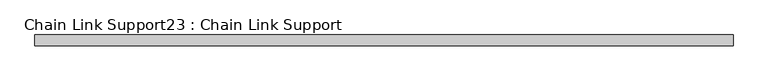
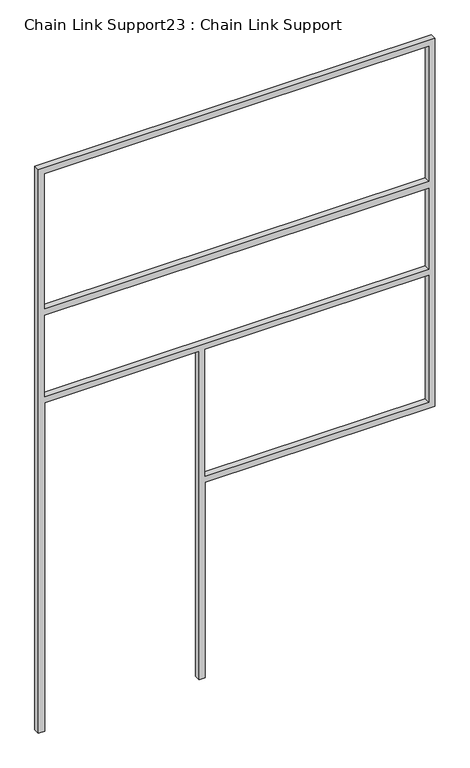
"""IFC4 building model written with IfcOpenShell, lengths in millimetres: proxy geometry, Chain Link Support23 : Chain Link Support."""

from ifc_helpers import new_model, si_unit, frame, origin, place, context, project, spatial, polyline, outline, extrude, source, transform, mapped, element, save


def chain_link_support23_chain_link_support_d591b788(model_context):
    return source(origin(), model_context, "Body", "SweptSolid", [
        extrude(outline(polyline([(3657.6, -13515.9848205), (0.0, -13515.9848205), (0.0, -13477.8848205), (2133.6, -13477.8848205), (2133.6, -12528.5598205), (0.0, -12528.5598205), (0.0, -12490.4598205), (1270.0, -12490.4598205), (1270.0, -11077.5848205), (3657.6, -11077.5848205), (3657.6, -13515.9848205)]), holes=[polyline([(2743.2, -13477.8848205), (3619.5, -13477.8848205), (3619.5, -11115.6848205), (2743.2, -11115.6848205), (2743.2, -13477.8848205)]), polyline([(1308.1, -11115.6848205), (1308.1, -12490.4598205), (2133.6, -12490.4598205), (2133.6, -11115.6848205), (1308.1, -11115.6848205)]), polyline([(2171.7, -13477.8848205), (2698.75, -13477.8848205), (2698.75, -11115.6848205), (2171.7, -11115.6848205), (2171.7, -13477.8848205)])]), frame((0.0, -1105.857317, 0.0), z_axis=(0.0, 1.0, 0.0), x_axis=(0.0, 0.0, 1.0)), (0.0, 0.0, 1.0), 38.1),
    ])


if __name__ == "__main__":
    model = new_model("IFC4")
    model_context = context("Model", 3, world=origin())
    ifc_project = project(units=[si_unit("LENGTHUNIT", "METRE", prefix="MILLI")], contexts=[model_context])
    site = spatial("IfcSite", under=ifc_project)
    building = spatial("IfcBuilding", under=site)
    placement = place(None, origin())
    chain_link_support23_chain_link_support_shape = chain_link_support23_chain_link_support_d591b788(model_context)
    element("IfcBuildingElementProxy", 1, Name="Chain Link Support23 : Chain Link Support", ObjectType="Chain Link Support23 : Chain Link Support", at=placement, inside=building, context=model_context, shape_type="MappedRepresentation", body=[
        mapped(chain_link_support23_chain_link_support_shape, transform((0.0, 0.0, 0.0), x_axis=(1.0, 0.0, 0.0), y_axis=(0.0, 1.0, 0.0), z_axis=(0.0, 0.0, 1.0))),
    ])
    save(model, "model.ifc")
